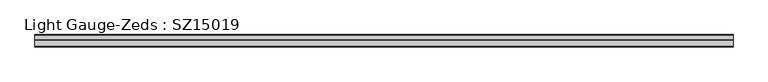
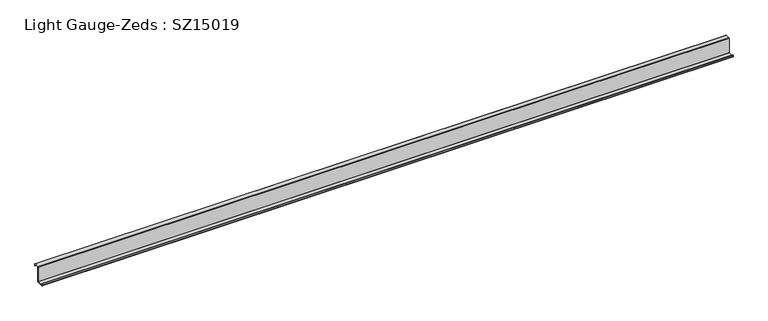
"""IFC4 building model written with IfcOpenShell, lengths in millimetres: beam geometry, Light Gauge-Zeds : SZ15019."""

from ifc_helpers import new_model, si_unit, point, frame, frame_2d, origin, place, context, project, spatial, polyline, circle_curve, trimmed, segment, composite_curve, outline, extrude, source, transform, mapped, element, save


def light_gauge_zeds_sz15019_83bdee5f(model_context):
    return source(origin(), model_context, "Body", "SweptSolid", [
        extrude(outline(composite_curve([segment(trimmed(circle_curve(frame_2d((-3.9, -72.1)), 3.9), [point((0.0, -72.1))], [point((-3.9, -76.0))], False, "CARTESIAN"), True, "CONTINUOUS"), segment(polyline([(-3.9, -76.0), (-63.6, -76.0)]), True, "CONTINUOUS"), segment(trimmed(circle_curve(frame_2d((-63.6, -72.1)), 3.9), [point((-63.6, -76.0))], [point((-67.5, -72.1))], False, "CARTESIAN"), True, "CONTINUOUS"), segment(polyline([(-67.5, -72.1), (-67.5, -57.0), (-65.6, -57.0), (-65.6, -72.1)]), True, "CONTINUOUS"), segment(trimmed(circle_curve(frame_2d((-63.6, -72.1)), 2.0), [point((-65.6, -72.1))], [point((-63.6, -74.1))], True, "CARTESIAN"), True, "CONTINUOUS"), segment(polyline([(-63.6, -74.1), (-3.9, -74.1)]), True, "CONTINUOUS"), segment(trimmed(circle_curve(frame_2d((-3.9, -72.1)), 2.0), [point((-3.9, -74.1))], [point((-1.9, -72.1))], True, "CARTESIAN"), True, "CONTINUOUS"), segment(polyline([(-1.9, -72.1), (-1.9, 72.1)]), True, "CONTINUOUS"), segment(trimmed(circle_curve(frame_2d((2.0, 72.1)), 3.9), [point((-1.9, 72.1))], [point((2.0, 76.0))], False, "CARTESIAN"), True, "CONTINUOUS"), segment(polyline([(2.0, 76.0), (46.6, 76.0)]), True, "CONTINUOUS"), segment(trimmed(circle_curve(frame_2d((46.6, 72.1)), 3.9), [point((46.6, 76.0))], [point((50.5, 72.1))], False, "CARTESIAN"), True, "CONTINUOUS"), segment(polyline([(50.5, 72.1), (50.5, 58.0), (48.6, 58.0), (48.6, 72.1)]), True, "CONTINUOUS"), segment(trimmed(circle_curve(frame_2d((46.6, 72.1)), 2.0), [point((48.6, 72.1))], [point((46.6, 74.1))], True, "CARTESIAN"), True, "CONTINUOUS"), segment(polyline([(46.6, 74.1), (2.0, 74.1)]), True, "CONTINUOUS"), segment(trimmed(circle_curve(frame_2d((2.0, 72.1)), 2.0), [point((2.0, 74.1))], [point((0.0, 72.1))], True, "CARTESIAN"), True, "CONTINUOUS"), segment(polyline([(0.0, 72.1), (0.0, -72.1)]), True, "CONTINUOUS")], self_intersect=False)), frame((-3536.5, 0.0, 0.0), z_axis=(1.0, 0.0, 0.0), x_axis=(0.0, 1.0, 0.0)), (0.0, 0.0, 1.0), 6623.0),
    ])


if __name__ == "__main__":
    model = new_model("IFC4")
    model_context = context("Model", 3, world=origin())
    ifc_project = project(units=[si_unit("LENGTHUNIT", "METRE", prefix="MILLI")], contexts=[model_context])
    site = spatial("IfcSite", under=ifc_project)
    building = spatial("IfcBuilding", under=site)
    placement = place(None, origin())
    light_gauge_zeds_sz15019_shape = light_gauge_zeds_sz15019_83bdee5f(model_context)
    element("IfcBeam", 1, ObjectType="Light Gauge-Zeds : SZ15019", at=placement, inside=building, context=model_context, shape_type="MappedRepresentation", body=[
        mapped(light_gauge_zeds_sz15019_shape, transform((0.0, 0.0, 0.0), x_axis=(1.0, 0.0, 0.0), y_axis=(0.0, 1.0, 0.0), z_axis=(0.0, 0.0, 1.0))),
    ])
    save(model, "model.ifc")
